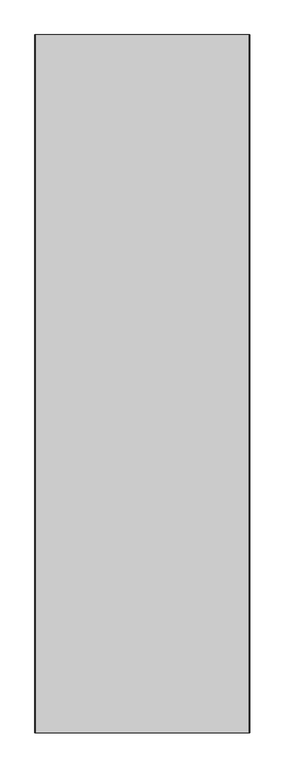
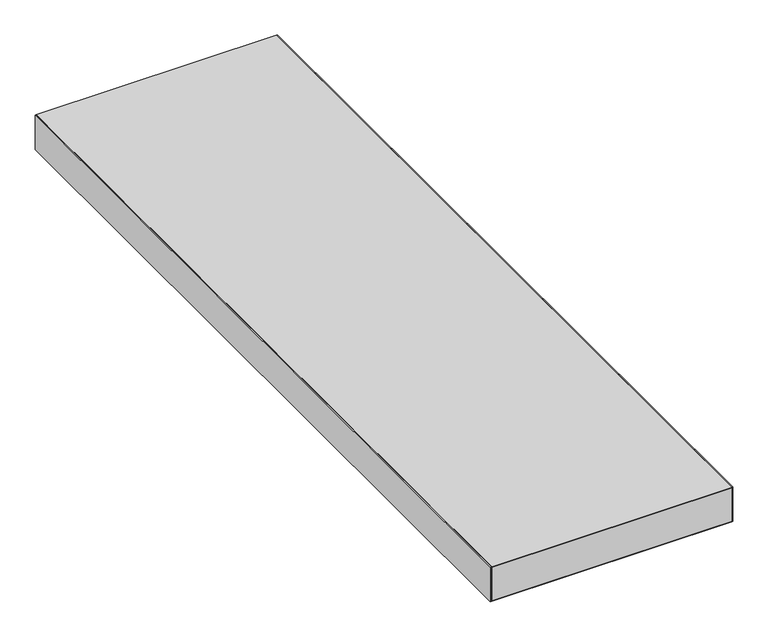
"""IFC4 building model written with IfcOpenShell, lengths in millimetres: proxy geometry."""

from ifc_helpers import new_model, si_unit, frame, origin, place, context, project, spatial, polyline, outline, extrude, source, transform, mapped, element, save


def specialty_equipment_8727565d(model_context):
    return source(origin(), model_context, "Body", "SweptSolid", [
        extrude(outline(polyline([(198.0, 650.0), (198.0, -650.0), (-198.0, -650.0), (-198.0, 650.0), (198.0, 650.0)])), frame((0.0, 0.0, -1.0), z_axis=(0.0, 0.0, 1.0), x_axis=(1.0, 0.0, 0.0)), (0.0, 0.0, 1.0), 1.0),
        extrude(outline(polyline([(198.0, 650.0), (198.0, -650.0), (-198.0, -650.0), (-198.0, 650.0), (198.0, 650.0)])), frame((0.0, 0.0, -59.0), z_axis=(0.0, 0.0, 1.0), x_axis=(1.0, 0.0, 0.0)), (0.0, 0.0, 1.0), 58.0),
        extrude(outline(polyline([(198.0, 650.0), (198.0, -650.0), (-198.0, -650.0), (-198.0, 650.0), (198.0, 650.0)])), frame((0.0, 0.0, -60.0), z_axis=(0.0, 0.0, 1.0), x_axis=(1.0, 0.0, 0.0)), (0.0, 0.0, 1.0), 1.0),
        extrude(outline(polyline([(-198.0, 650.0), (-198.0, -650.0), (-200.0, -650.0), (-200.0, 650.0), (-198.0, 650.0)])), frame((0.0, 0.0, -60.0), z_axis=(0.0, 0.0, 1.0), x_axis=(1.0, 0.0, 0.0)), (0.0, 0.0, 1.0), 60.0),
        extrude(outline(polyline([(198.0, 650.0), (200.0, 650.0), (200.0, -650.0), (198.0, -650.0), (198.0, 650.0)])), frame((0.0, 0.0, -60.0), z_axis=(0.0, 0.0, 1.0), x_axis=(1.0, 0.0, 0.0)), (0.0, 0.0, 1.0), 60.0),
    ])


if __name__ == "__main__":
    model = new_model("IFC4")
    model_context = context("Model", 3, world=origin())
    ifc_project = project(units=[si_unit("LENGTHUNIT", "METRE", prefix="MILLI")], contexts=[model_context])
    site = spatial("IfcSite", under=ifc_project)
    building = spatial("IfcBuilding", under=site)
    placement = place(None, origin())
    specialty_equipment_shape = specialty_equipment_8727565d(model_context)
    element("IfcBuildingElementProxy", 1, Name="Specialty Equipment", at=placement, inside=building, context=model_context, shape_type="MappedRepresentation", body=[
        mapped(specialty_equipment_shape, transform((0.0, 0.0, 0.0), x_axis=(1.0, 0.0, 0.0), y_axis=(0.0, 1.0, 0.0), z_axis=(0.0, 0.0, 1.0))),
    ])
    save(model, "model.ifc")
